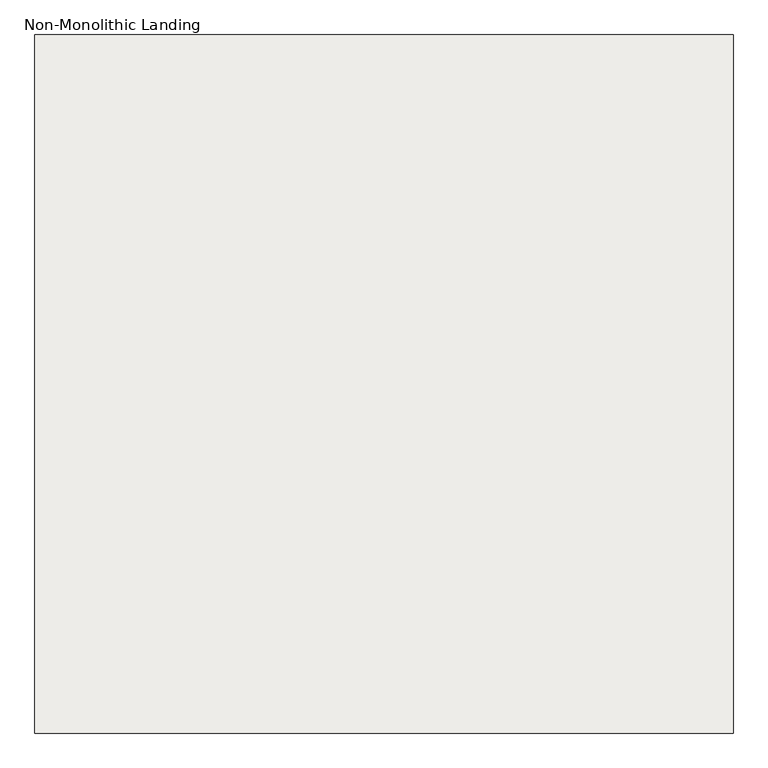
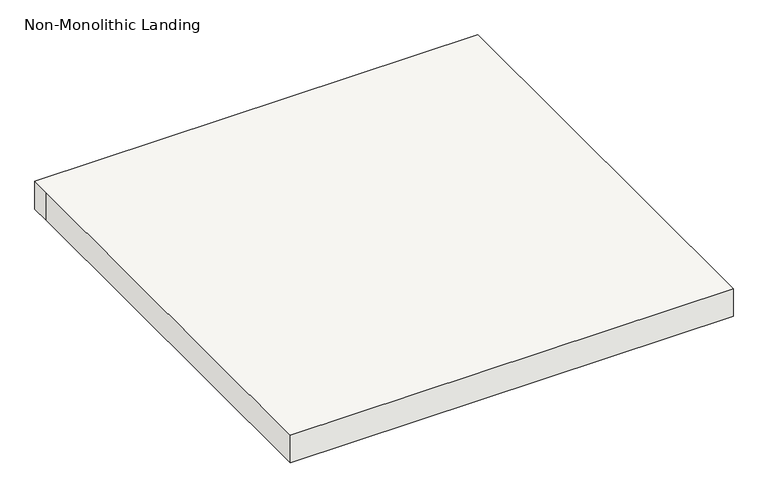
"""IFC4 building model written with IfcOpenShell, lengths in millimetres: slab geometry, Non-Monolithic Landing."""

from ifc_helpers import new_model, si_unit, frame, origin, place, context, project, spatial, polyline, outline, extrude, source, transform, mapped, element, save


def non_monolithic_landing_87dbbc76(model_context):
    return source(origin(), model_context, "Body", "SweptSolid", [
        extrude(outline(polyline([(7418.103833, 6446.5809329), (7418.103833, 6497.3809329), (8573.803833, 6497.3809329), (8573.803833, 5341.6809329), (7418.103833, 5341.6809329), (7418.103833, 6446.5809329)])), frame((0.0, 0.0, 1732.5578125), z_axis=(0.0, 0.0, 1.0), x_axis=(1.0, 0.0, 0.0)), (0.0, 0.0, 1.0), 76.2),
    ])


if __name__ == "__main__":
    model = new_model("IFC4")
    model_context = context("Model", 3, world=origin())
    ifc_project = project(units=[si_unit("LENGTHUNIT", "METRE", prefix="MILLI")], contexts=[model_context])
    site = spatial("IfcSite", under=ifc_project)
    building = spatial("IfcBuilding", under=site)
    placement = place(None, origin())
    non_monolithic_landing_shape = non_monolithic_landing_87dbbc76(model_context)
    element("IfcSlab", 1, ObjectType="Non-Monolithic Landing", at=placement, inside=building, context=model_context, shape_type="MappedRepresentation", body=[
        mapped(non_monolithic_landing_shape, transform((0.0, 0.0, 0.0), x_axis=(1.0, 0.0, 0.0), y_axis=(0.0, 1.0, 0.0), z_axis=(0.0, 0.0, 1.0))),
    ])
    save(model, "model.ifc")
